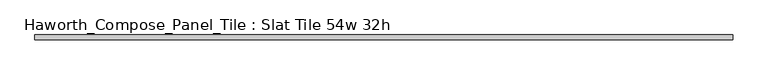
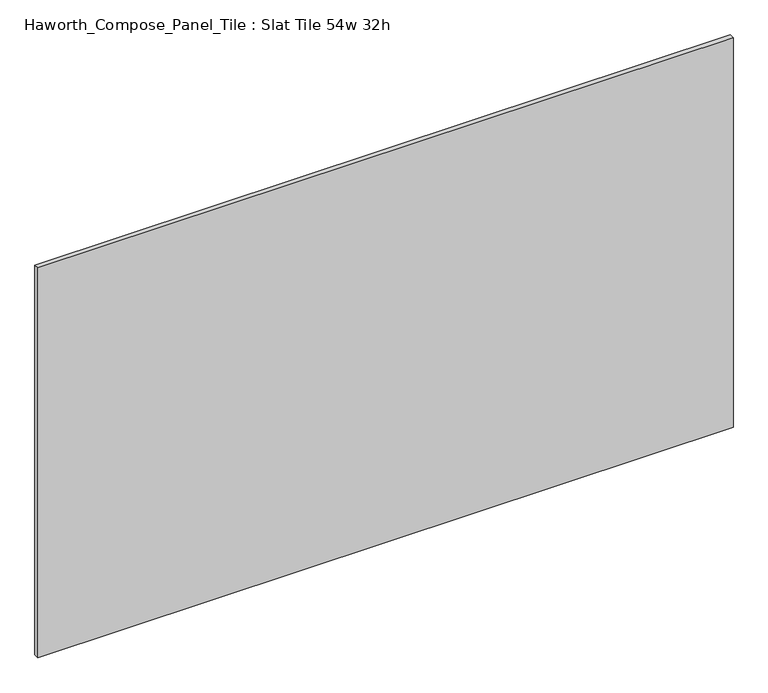
"""IFC4 building model written with IfcOpenShell, lengths in millimetres: furniture geometry, Haworth_Compose_Panel_Tile : Slat Tile 54w 32h."""

from ifc_helpers import new_model, si_unit, frame, origin, place, context, project, spatial, polyline, outline, extrude, source, transform, mapped, element, save


def haworth_compose_panel_tile_slat_tile_54w_32h_9edf4415(model_context):
    return source(origin(), model_context, "Body", "SweptSolid", [
        extrude(outline(polyline([(688.2402902, -25.7218594), (-683.3597098, -25.7218594), (-683.3597098, -16.1968594), (688.2402902, -16.1968594), (688.2402902, -25.7218594)])), frame((0.0, 0.0, 1066.8), z_axis=(0.0, 0.0, 1.0), x_axis=(1.0, 0.0, 0.0)), (0.0, 0.0, 1.0), 812.8),
    ])


if __name__ == "__main__":
    model = new_model("IFC4")
    model_context = context("Model", 3, world=origin())
    ifc_project = project(units=[si_unit("LENGTHUNIT", "METRE", prefix="MILLI")], contexts=[model_context])
    site = spatial("IfcSite", under=ifc_project)
    building = spatial("IfcBuilding", under=site)
    placement = place(None, origin())
    haworth_compose_panel_tile_slat_tile_54w_32h_shape = haworth_compose_panel_tile_slat_tile_54w_32h_9edf4415(model_context)
    element("IfcFurniture", 1, ObjectType="Haworth_Compose_Panel_Tile : Slat Tile 54w 32h", at=placement, inside=building, context=model_context, shape_type="MappedRepresentation", body=[
        mapped(haworth_compose_panel_tile_slat_tile_54w_32h_shape, transform((0.0, 0.0, 0.0), x_axis=(1.0, 0.0, 0.0), y_axis=(0.0, 1.0, 0.0), z_axis=(0.0, 0.0, 1.0))),
    ])
    save(model, "model.ifc")
